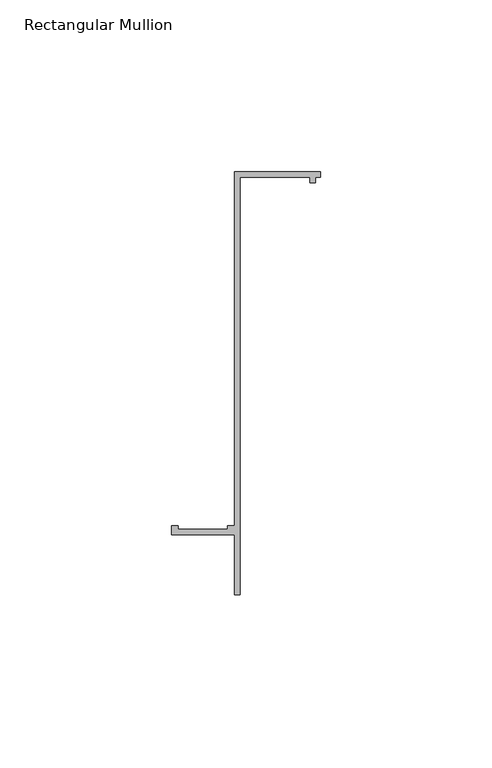
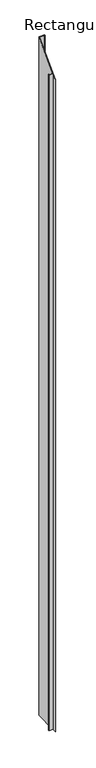
"""IFC4 building model written with IfcOpenShell, lengths in millimetres: member geometry, Rectangular Mullion."""

import ifcopenshell
import ifcopenshell.guid

model = None  # the IFC model being written
_history = None  # IfcOwnerHistory: only IFC2X3 demands one
_inside = {}  # id of a spatial element -> (the spatial element, [elements in it])
_under = {}  # id of a project, library or spatial element -> (it, [spatial elements below it])
_declared = {}  # id of a project -> (the project, [libraries it declares])
_typed = {}  # id of a type object -> (the type object, [elements of that type])
_made_of = {}  # id of a material, layer set ... -> (it, [elements and type objects made of it])


def new_model(schema):
    """Start an empty IFC model of exactly this schema.

    Asked for "IFC4X3", IfcOpenShell would pick the latest addendum, in which some entities
    have other attributes; the version numbers below select the first issue.
    IFC2X3 requires an IfcOwnerHistory on every rooted entity: one is made here for all.
    """
    global model, _history
    if schema == "IFC4X3":
        model = ifcopenshell.file(schema_version=(4, 3, 0, 0))
    else:
        model = ifcopenshell.file(schema=schema)
    _inside.clear()
    _under.clear()
    _declared.clear()
    _typed.clear()
    _made_of.clear()
    _history = None
    if model.schema == "IFC2X3":
        org = make("IfcOrganization", Name="unknown")
        user = make(
            "IfcPersonAndOrganization",
            ThePerson=make("IfcPerson", FamilyName="unknown"),
            TheOrganization=org,
        )
        app = make(
            "IfcApplication",
            ApplicationDeveloper=org,
            Version="unknown",
            ApplicationFullName="unknown",
            ApplicationIdentifier="unknown",
        )
        _history = make(
            "IfcOwnerHistory",
            OwningUser=user,
            OwningApplication=app,
            ChangeAction="ADDED",
            CreationDate=0,
        )
    return model


def make(cls, **values):
    """One entity of the class cls with the attributes given. An attribute that is None is left unset."""
    return model.create_entity(
        cls, **{name: value for name, value in values.items() if value is not None}
    )


def rooted(cls, **values):
    """An entity with a GlobalId (a new one), such as an element, a storey or a relation."""
    return make(cls, GlobalId=ifcopenshell.guid.new(), OwnerHistory=_history, **values)


def si_unit(unit_type, name, prefix=None):
    """IfcSIUnit, for example si_unit("LENGTHUNIT", "METRE", prefix="MILLI")."""
    return make("IfcSIUnit", UnitType=unit_type, Prefix=prefix, Name=name)


def assignment(units):
    """IfcUnitAssignment: the units of a project."""
    return None if units is None else make("IfcUnitAssignment", Units=units)


def point(xyz):
    """IfcCartesianPoint."""
    return None if xyz is None else make("IfcCartesianPoint", Coordinates=xyz)


def direction(xyz):
    """IfcDirection."""
    return None if xyz is None else make("IfcDirection", DirectionRatios=xyz)


def frame(location, z_axis=None, x_axis=None):
    """IfcAxis2Placement3D, a coordinate frame: its origin and axes. An axis left out is left unset."""
    return make(
        "IfcAxis2Placement3D",
        Location=point(location),
        Axis=direction(z_axis),
        RefDirection=direction(x_axis),
    )


def origin():
    """The frame at (0, 0, 0) with its axes left unset."""
    return frame((0.0, 0.0, 0.0))


def place(relative_to, where):
    """IfcLocalPlacement: puts the frame where relative to a parent placement (None: the world)."""
    return make(
        "IfcLocalPlacement", PlacementRelTo=relative_to, RelativePlacement=where
    )


def context(
    kind, dimensions, precision=None, world=None, true_north=None, identifier=None
):
    """IfcGeometricRepresentationContext, for example the 3D "Model" context."""
    return make(
        "IfcGeometricRepresentationContext",
        ContextIdentifier=identifier,
        ContextType=kind,
        CoordinateSpaceDimension=dimensions,
        Precision=precision,
        WorldCoordinateSystem=world,
        TrueNorth=true_north,
    )


def project(units=None, contexts=None):
    """IfcProject with its units and contexts."""
    return rooted(
        "IfcProject",
        Name="project",
        RepresentationContexts=contexts,
        UnitsInContext=assignment(units),
    )


def spatial(cls, under=None, at=None, **own):
    """A site, building, storey or space (cls), placed at a placement, below another one or the project."""
    s = rooted(cls, ObjectPlacement=at, **own)
    if under is not None:
        _under.setdefault(under.id(), (under, []))[1].append(s)
    return s


def faces_of(points, faces, orient=None, outer=None):
    """IfcFace entities. A face is a list of loops; a loop is a list of indices into points, from 0.

    orient and outer hold one flag for each loop. By default every Orientation is true, the
    first loop of a face is its IfcFaceOuterBound and the others are IfcFaceBound.
    """
    made = []
    for i, loops in enumerate(faces):
        bounds = []
        for j, loop in enumerate(loops):
            is_outer = j == 0 if outer is None else outer[i][j]
            bounds.append(
                make(
                    "IfcFaceOuterBound" if is_outer else "IfcFaceBound",
                    Bound=make("IfcPolyLoop", Polygon=[points[k] for k in loop]),
                    Orientation=True if orient is None else orient[i][j],
                )
            )
        made.append(make("IfcFace", Bounds=bounds))
    return made


def faceted_brep(points, faces, orient=None, outer=None, voids=None):
    """IfcFacetedBrep: a solid bounded by flat faces; with voids (closed shells), ...WithVoids."""
    shared = [point(p) for p in points]
    hull = make("IfcClosedShell", CfsFaces=faces_of(shared, faces, orient, outer))
    if voids is None:
        return make("IfcFacetedBrep", Outer=hull)
    return make(
        "IfcFacetedBrepWithVoids",
        Outer=hull,
        Voids=[
            make(cls, CfsFaces=faces_of(shared, fs, o, b)) for cls, fs, o, b in voids
        ],
    )


def shape(context_of_items, identifier, shape_type, items):
    """IfcShapeRepresentation: the items that make up one representation, for example the "Body"."""
    return make(
        "IfcShapeRepresentation",
        ContextOfItems=context_of_items,
        RepresentationIdentifier=identifier,
        RepresentationType=shape_type,
        Items=items,
    )


def source(mapping_origin, context_of_items, identifier, shape_type, items):
    """IfcRepresentationMap: a shape defined once, which mapped items show again and again."""
    return make(
        "IfcRepresentationMap",
        MappingOrigin=mapping_origin,
        MappedRepresentation=shape(context_of_items, identifier, shape_type, items),
    )


def transform(
    local_origin,
    x_axis=None,
    y_axis=None,
    z_axis=None,
    scale=None,
    scale2=None,
    scale3=None,
    uniform=True,
):
    """IfcCartesianTransformationOperator3D, or its non-uniform kind. x_axis, y_axis, z_axis: its Axis1, 2, 3."""
    if uniform:
        return make(
            "IfcCartesianTransformationOperator3D",
            Axis1=direction(x_axis),
            Axis2=direction(y_axis),
            LocalOrigin=point(local_origin),
            Scale=scale,
            Axis3=direction(z_axis),
        )
    return make(
        "IfcCartesianTransformationOperator3DnonUniform",
        Axis1=direction(x_axis),
        Axis2=direction(y_axis),
        LocalOrigin=point(local_origin),
        Scale=scale,
        Axis3=direction(z_axis),
        Scale2=scale2,
        Scale3=scale3,
    )


def mapped(mapping_source, mapping_target):
    """IfcMappedItem: shows the shape of a source again, moved by a transform."""
    return make(
        "IfcMappedItem", MappingSource=mapping_source, MappingTarget=mapping_target
    )


def made_of(thing, what):
    """Note that an element or type object is made of a material, layer set ...; save() writes the relation."""
    if what is not None:
        _made_of.setdefault(what.id(), (what, []))[1].append(thing)
    return thing


def element(
    cls,
    number,
    at=None,
    inside=None,
    cuts=None,
    type_object=None,
    material=None,
    context=None,
    identifier="Body",
    shape_type=None,
    held_by="IfcProductDefinitionShape",
    body=None,
    shapes=None,
    **own,
):
    """One element of the class cls, such as IfcWall. Its Tag is "e" and its number.

    at: its placement. inside: the storey or other place that contains it. cuts: it is an
    opening in that element (IfcRelVoidsElement). A single representation is given by context,
    identifier, shape_type and body (its items); several are given by shapes. held_by: the class
    of the entity that holds the representations. save() writes the other relations.
    """
    e = rooted(cls, Tag="e%d" % number, ObjectPlacement=at, **own)
    if body is not None:
        shapes = [shape(context, identifier, shape_type, body)]
    if shapes is not None:
        e.Representation = make(held_by, Representations=shapes)
    if inside is not None:
        _inside.setdefault(inside.id(), (inside, []))[1].append(e)
    if cuts is not None:
        rooted(
            "IfcRelVoidsElement", RelatingBuildingElement=cuts, RelatedOpeningElement=e
        )
    if type_object is not None:
        _typed.setdefault(type_object.id(), (type_object, []))[1].append(e)
    return made_of(e, material)


def aggregate(whole, parts):
    """IfcRelAggregates: a whole, such as a stair, and the parts it consists of."""
    return rooted("IfcRelAggregates", RelatingObject=whole, RelatedObjects=parts)


def save(model, path):
    """Write the relations noted so far, then the file.

    IfcRelAggregates (storeys below a building ...), IfcRelContainedInSpatialStructure (elements
    in a storey), IfcRelDefinesByType, IfcRelAssociatesMaterial and IfcRelDeclares: one each for
    every whole, place, type object, material and project.
    """
    for whole, parts in _under.values():
        aggregate(whole, parts)
    for where, things in _inside.values():
        rooted(
            "IfcRelContainedInSpatialStructure",
            RelatedElements=things,
            RelatingStructure=where,
        )
    for kind, things in _typed.values():
        rooted("IfcRelDefinesByType", RelatedObjects=things, RelatingType=kind)
    for what, things in _made_of.values():
        rooted("IfcRelAssociatesMaterial", RelatedObjects=things, RelatingMaterial=what)
    for by, libraries in _declared.values():
        rooted("IfcRelDeclares", RelatingContext=by, RelatedDefinitions=libraries)
    model.write(path)


def rectangular_mullion_2f0c62f6(model_context):
    return source(origin(), model_context, "Body", "Brep", [
        faceted_brep([(2e-07, 55.1996656, -3048.0224054), (0.0, 53.5996656, -3048.0224054), (-1.4, 53.5996657, -3048.0224054), (-1.4000002, 51.9996657, -3048.0224054), (-3.0000002, 51.9996659, -3048.0224054), (-3.0, 53.5996659, -3048.0224054), (-23.4, 53.5996679, -3048.0224054), (-23.4000119, -68.0000321, -3048.0224054), (-25.0000119, -68.000032, -3048.0224054), (-25.0000102, -50.600032, -3048.0224054), (-43.4000102, -50.6000302, -3048.0224054), (-43.40001, -48.0000302, -3048.0224054), (-41.4017469, -48.0000304, -3048.0224054), (-41.4017469, -49.0000304, -3048.0224054), (-27.0000101, -49.0000318, -3048.0224054), (-27.0000101, -48.0000318, -3048.0224054), (-25.00001, -48.000032, -3048.0224054), (-24.9999998, 55.199668, -3048.0224054), (-24.9999998, 55.199668, 55.199668), (2e-07, 55.1996656, 55.1996656), (-25.00001, -48.000032, -48.000032), (-27.0000101, -48.0000318, -48.0000318), (-27.0000101, -49.0000318, -49.0000318), (-41.4017469, -49.0000304, -49.0000304), (-41.4017469, -48.0000304, -48.0000304), (-43.40001, -48.0000302, -48.0000302), (-43.4000102, -50.6000302, -50.6000302), (-25.0000102, -50.600032, -50.600032), (-25.0000119, -68.000032, -68.000032), (-23.4000119, -68.0000321, -68.0000321), (-23.4, 53.5996679, 53.5996679), (-3.0, 53.5996659, 53.5996659), (-3.0000002, 51.9996659, 51.9996659), (-1.4000002, 51.9996657, 51.9996657), (-1.4, 53.5996657, 53.5996657), (0.0, 53.5996656, 53.5996656)], [[[0, 1, 2, 3, 4, 5, 6, 7, 8, 9, 10, 11, 12, 13, 14, 15, 16, 17]], [[18, 19, 0, 17]], [[20, 18, 17, 16]], [[21, 20, 16, 15]], [[22, 21, 15, 14]], [[23, 22, 14, 13]], [[24, 23, 13, 12]], [[25, 24, 12, 11]], [[26, 25, 11, 10]], [[27, 26, 10, 9]], [[28, 27, 9, 8]], [[29, 28, 8, 7]], [[30, 29, 7, 6]], [[31, 30, 6, 5]], [[32, 31, 5, 4]], [[33, 32, 4, 3]], [[34, 33, 3, 2]], [[35, 34, 2, 1]], [[19, 35, 1, 0]], [[19, 18, 20, 21, 22, 23, 24, 25, 26, 27, 28, 29, 30, 31, 32, 33, 34, 35]]]),
    ])


if __name__ == "__main__":
    model = new_model("IFC4")
    model_context = context("Model", 3, world=origin())
    ifc_project = project(units=[si_unit("LENGTHUNIT", "METRE", prefix="MILLI")], contexts=[model_context])
    site = spatial("IfcSite", under=ifc_project)
    building = spatial("IfcBuilding", under=site)
    placement = place(None, origin())
    rectangular_mullion_shape = rectangular_mullion_2f0c62f6(model_context)
    element("IfcMember", 1, ObjectType="Rectangular Mullion", at=placement, inside=building, context=model_context, shape_type="MappedRepresentation", body=[
        mapped(rectangular_mullion_shape, transform((0.0, 0.0, 0.0), x_axis=(1.0, 0.0, 0.0), y_axis=(0.0, 1.0, 0.0), z_axis=(0.0, 0.0, 1.0))),
    ])
    save(model, "model.ifc")
